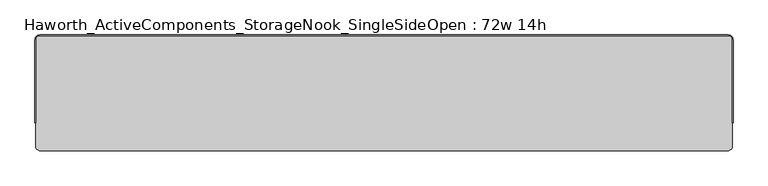
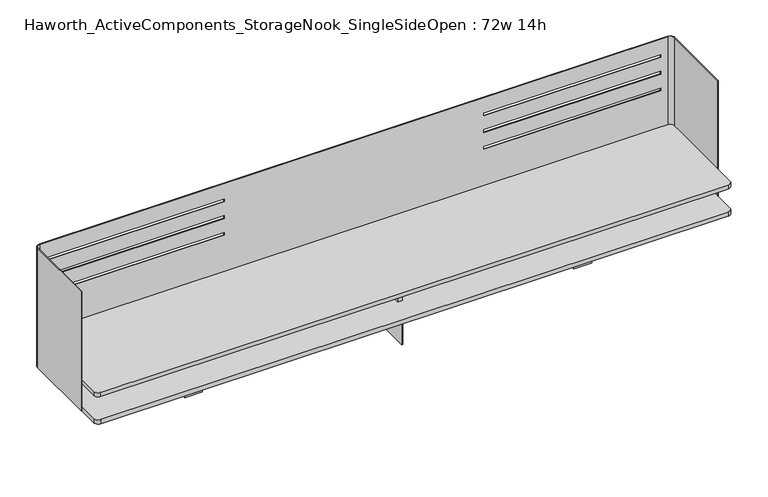
"""IFC4 building model written with IfcOpenShell, lengths in millimetres: furniture geometry, Haworth_ActiveComponents_StorageNook_SingleSideOpen : 72w 14h."""

from ifc_helpers import new_model, si_unit, point, frame, frame_2d, origin, place, context, project, spatial, polyline, circle_curve, trimmed, segment, composite_curve, outline, extrude, source, transform, mapped, element, save
from ifc_brep_helpers import plane_surface, cylinder_surface, revolved_surface, advanced_brep


def haworth_activecomponents_storagenook_singlesideopen_72w_14h_7ef5d3e3(model_context):
    return source(origin(), model_context, "Body", "SolidModel", [
        extrude(outline(polyline([(6.35, 493.7125), (6.35, 265.1125), (-6.35, 265.1125), (-6.35, 493.7125), (6.35, 493.7125)])), frame((0.0, 0.0, 860.4250242), z_axis=(0.0, 0.0, 1.0), x_axis=(1.0, 0.0, 0.0)), (0.0, 0.0, 1.0), 69.85),
        advanced_brep(
        [(-912.8125, 482.6, 1209.675), (-901.7, 493.7125, 1209.675), (901.7, 493.7125, 1209.675), (912.8125, 482.6, 1209.675), (912.8125, 265.1125, 1209.675), (914.4, 265.1125, 1209.675), (914.4, 482.6, 1209.675), (901.7, 495.3, 1209.675), (-901.7, 495.3, 1209.675), (-914.4, 482.6, 1209.675), (-914.4, 265.1125, 1209.675), (-912.8125, 265.1125, 1209.675), (-912.8125, 482.6, 847.725), (-912.8125, 265.1125, 847.725), (-914.4, 265.1125, 847.725), (-914.4, 482.6, 847.725), (-901.7, 495.3, 847.725), (901.7, 495.3, 847.725), (914.4, 482.6, 847.725), (914.4, 265.1125, 847.725), (912.8125, 265.1125, 847.725), (912.8125, 482.6, 847.725), (901.7, 493.7125, 847.725), (-901.7, 493.7125, 847.725), (880.3639961, 493.7125, 1061.1643944), (880.3639961, 493.7125, 1052.909375), (372.3639961, 493.7125, 1052.909375), (372.3639961, 493.7125, 1061.1643944), (880.3639961, 493.7125, 1162.7643702), (880.3639961, 493.7125, 1154.5093508), (372.3639961, 493.7125, 1154.5093508), (372.3639961, 493.7125, 1162.7643702), (880.3639961, 493.7125, 1111.9643823), (880.3639961, 493.7125, 1103.7093629), (372.3639961, 493.7125, 1103.7093629), (372.3639961, 493.7125, 1111.9643823), (-880.3639961, 493.7125, 1052.909375), (-880.3639961, 493.7125, 1061.1643944), (-372.3639961, 493.7125, 1061.1643944), (-372.3639961, 493.7125, 1052.909375), (-880.3639961, 493.7125, 1154.5093508), (-880.3639961, 493.7125, 1162.7643702), (-372.3639961, 493.7125, 1162.7643702), (-372.3639961, 493.7125, 1154.5093508), (-880.3639961, 493.7125, 1103.7093629), (-880.3639961, 493.7125, 1111.9643823), (-372.3639961, 493.7125, 1111.9643823), (-372.3639961, 493.7125, 1103.7093629), (880.3639961, 495.3, 1052.909375), (880.3639961, 495.3, 1061.1643944), (372.3639961, 495.3, 1061.1643944), (372.3639961, 495.3, 1052.909375), (880.3639961, 495.3, 1154.5093508), (880.3639961, 495.3, 1162.7643702), (372.3639961, 495.3, 1162.7643702), (372.3639961, 495.3, 1154.5093508), (880.3639961, 495.3, 1103.7093629), (880.3639961, 495.3, 1111.9643823), (372.3639961, 495.3, 1111.9643823), (372.3639961, 495.3, 1103.7093629), (-880.3639961, 495.3, 1061.1643944), (-880.3639961, 495.3, 1052.909375), (-372.3639961, 495.3, 1052.909375), (-372.3639961, 495.3, 1061.1643944), (-880.3639961, 495.3, 1162.7643702), (-880.3639961, 495.3, 1154.5093508), (-372.3639961, 495.3, 1154.5093508), (-372.3639961, 495.3, 1162.7643702), (-880.3639961, 495.3, 1111.9643823), (-880.3639961, 495.3, 1103.7093629), (-372.3639961, 495.3, 1103.7093629), (-372.3639961, 495.3, 1111.9643823)],
        [
            (0, 1, circle_curve(frame((-901.7, 482.6, 1209.675), z_axis=(0.0, 0.0, -1.0), x_axis=(1.0, 0.0, 0.0)), 11.1125)),
            (1, 2),
            (2, 3, circle_curve(frame((901.7, 482.6, 1209.675), z_axis=(0.0, 0.0, -1.0), x_axis=(1.0, 0.0, 0.0)), 11.1125)),
            (3, 4),
            (4, 5),
            (5, 6),
            (6, 7, circle_curve(frame((901.7, 482.6, 1209.675), z_axis=(0.0, 0.0, 1.0), x_axis=(1.0, 0.0, 0.0)), 12.7)),
            (7, 8),
            (8, 9, circle_curve(frame((-901.7, 482.6, 1209.675), z_axis=(0.0, 0.0, 1.0), x_axis=(1.0, 0.0, 0.0)), 12.7)),
            (9, 10),
            (10, 11),
            (11, 0),
            (12, 13),
            (13, 14),
            (14, 15),
            (15, 16, circle_curve(frame((-901.7, 482.6, 847.725), z_axis=(0.0, 0.0, -1.0), x_axis=(1.0, 0.0, 0.0)), 12.7)),
            (16, 17),
            (17, 18, circle_curve(frame((901.7, 482.6, 847.725), z_axis=(0.0, 0.0, -1.0), x_axis=(1.0, 0.0, 0.0)), 12.7)),
            (18, 19),
            (19, 20),
            (20, 21),
            (21, 22, circle_curve(frame((901.7, 482.6, 847.725), z_axis=(0.0, 0.0, 1.0), x_axis=(1.0, 0.0, 0.0)), 11.1125)),
            (22, 23),
            (23, 12, circle_curve(frame((-901.7, 482.6, 847.725), z_axis=(0.0, 0.0, 1.0), x_axis=(1.0, 0.0, 0.0)), 11.1125)),
            (0, 12),
            (23, 1),
            (22, 2),
            (24, 25),
            (25, 26),
            (26, 27),
            (27, 24),
            (28, 29),
            (29, 30),
            (30, 31),
            (31, 28),
            (32, 33),
            (33, 34),
            (34, 35),
            (35, 32),
            (36, 37),
            (37, 38),
            (38, 39),
            (39, 36),
            (40, 41),
            (41, 42),
            (42, 43),
            (43, 40),
            (44, 45),
            (45, 46),
            (46, 47),
            (47, 44),
            (7, 17),
            (16, 8),
            (48, 49),
            (49, 50),
            (50, 51),
            (51, 48),
            (52, 53),
            (53, 54),
            (54, 55),
            (55, 52),
            (56, 57),
            (57, 58),
            (58, 59),
            (59, 56),
            (60, 61),
            (61, 62),
            (62, 63),
            (63, 60),
            (64, 65),
            (65, 66),
            (66, 67),
            (67, 64),
            (68, 69),
            (69, 70),
            (70, 71),
            (71, 68),
            (15, 9),
            (14, 10),
            (13, 11),
            (21, 3),
            (20, 4),
            (19, 5),
            (18, 6),
            (24, 49),
            (48, 25),
            (51, 26),
            (50, 27),
            (28, 53),
            (52, 29),
            (55, 30),
            (54, 31),
            (32, 57),
            (56, 33),
            (59, 34),
            (58, 35),
            (36, 61),
            (60, 37),
            (39, 62),
            (38, 63),
            (40, 65),
            (64, 41),
            (43, 66),
            (42, 67),
            (44, 69),
            (68, 45),
            (47, 70),
            (46, 71),
        ],
        [
            plane_surface(frame((-890.5875, 482.6, 1209.675), z_axis=(0.0, 0.0, 1.0), x_axis=(0.0, -1.0, 0.0))),
            plane_surface(frame((-890.5875, 482.6, 847.725), z_axis=(0.0, 0.0, -1.0), x_axis=(0.0, 1.0, 0.0))),
            revolved_surface(polyline([(-890.5875000000001, 482.6, 847.725), (-890.5875000000001, 482.6, 1209.675)]), (-901.7, 482.6, 847.725), (0.0, 0.0, -1.0)),
            plane_surface(frame((-901.7, 493.7125, 1209.675), z_axis=(0.0, -1.0, 0.0), x_axis=(0.0, 0.0, -1.0))),
            plane_surface(frame((901.7, 495.3, 1209.675), z_axis=(0.0, 1.0, 0.0), x_axis=(0.0, 0.0, -1.0))),
            cylinder_surface(frame((-901.7, 482.6, 847.725), z_axis=(0.0, 0.0, 1.0), x_axis=(1.0, 0.0, 0.0)), 12.7),
            plane_surface(frame((-914.4, 482.6, 1209.675), z_axis=(-1.0, 0.0, 0.0), x_axis=(0.0, 0.0, -1.0))),
            plane_surface(frame((-914.4, 265.1125, 1209.675), z_axis=(0.0, -1.0, 0.0), x_axis=(0.0, 0.0, -1.0))),
            plane_surface(frame((-912.8125, 265.1125, 1209.675), z_axis=(1.0, 0.0, 0.0), x_axis=(0.0, 0.0, -1.0))),
            revolved_surface(polyline([(912.8125, 482.6, 847.725), (912.8125, 482.6, 1209.675)]), (901.7, 482.6, 847.725), (0.0, 0.0, -1.0)),
            plane_surface(frame((912.8125, 482.6, 1209.675), z_axis=(-1.0, 0.0, 0.0), x_axis=(0.0, 0.0, -1.0))),
            plane_surface(frame((912.8125, 265.1125, 1209.675), z_axis=(0.0, -1.0, 0.0), x_axis=(0.0, 0.0, -1.0))),
            plane_surface(frame((914.4, 265.1125, 1209.675), z_axis=(1.0, 0.0, 0.0), x_axis=(0.0, 0.0, -1.0))),
            cylinder_surface(frame((901.7, 482.6, 847.725), z_axis=(0.0, 0.0, 1.0), x_axis=(1.0, 0.0, 0.0)), 12.7),
            plane_surface(frame((880.3639961, 553.8218239, 1061.1643944), z_axis=(-1.0, 0.0, 0.0), x_axis=(0.0, -1.0, 0.0))),
            plane_surface(frame((880.3639961, 553.8218239, 1052.909375), z_axis=(0.0, 0.0, 1.0), x_axis=(0.0, -1.0, 0.0))),
            plane_surface(frame((372.3639961, 553.8218239, 1052.909375), z_axis=(1.0, 0.0, 0.0), x_axis=(0.0, -1.0, 0.0))),
            plane_surface(frame((372.3639961, 553.8218239, 1061.1643944), z_axis=(0.0, 0.0, -1.0), x_axis=(0.0, -1.0, 0.0))),
            plane_surface(frame((880.3639961, 553.8218239, 1162.7643702), z_axis=(-1.0, 0.0, 0.0), x_axis=(0.0, -1.0, 0.0))),
            plane_surface(frame((880.3639961, 553.8218239, 1154.5093508), z_axis=(0.0, 0.0, 1.0), x_axis=(0.0, -1.0, 0.0))),
            plane_surface(frame((372.3639961, 553.8218239, 1154.5093508), z_axis=(1.0, 0.0, 0.0), x_axis=(0.0, -1.0, 0.0))),
            plane_surface(frame((372.3639961, 553.8218239, 1162.7643702), z_axis=(0.0, 0.0, -1.0), x_axis=(0.0, -1.0, 0.0))),
            plane_surface(frame((880.3639961, 553.8218239, 1111.9643823), z_axis=(-1.0, 0.0, 0.0), x_axis=(0.0, -1.0, 0.0))),
            plane_surface(frame((880.3639961, 553.8218239, 1103.7093629), z_axis=(0.0, 0.0, 1.0), x_axis=(0.0, -1.0, 0.0))),
            plane_surface(frame((372.3639961, 553.8218239, 1103.7093629), z_axis=(1.0, 0.0, 0.0), x_axis=(0.0, -1.0, 0.0))),
            plane_surface(frame((372.3639961, 553.8218239, 1111.9643823), z_axis=(0.0, 0.0, -1.0), x_axis=(0.0, -1.0, 0.0))),
            plane_surface(frame((-880.3639961, 553.8218239, 1052.909375), z_axis=(1.0, 0.0, 0.0), x_axis=(0.0, -1.0, 0.0))),
            plane_surface(frame((-372.3639961, 553.8218239, 1052.909375), z_axis=(0.0, 0.0, 1.0), x_axis=(0.0, -1.0, 0.0))),
            plane_surface(frame((-372.3639961, 553.8218239, 1061.1643944), z_axis=(-1.0, 0.0, 0.0), x_axis=(0.0, -1.0, 0.0))),
            plane_surface(frame((-880.3639961, 553.8218239, 1061.1643944), z_axis=(0.0, 0.0, -1.0), x_axis=(0.0, -1.0, 0.0))),
            plane_surface(frame((-880.3639961, 553.8218239, 1154.5093508), z_axis=(1.0, 0.0, 0.0), x_axis=(0.0, -1.0, 0.0))),
            plane_surface(frame((-372.3639961, 553.8218239, 1154.5093508), z_axis=(0.0, 0.0, 1.0), x_axis=(0.0, -1.0, 0.0))),
            plane_surface(frame((-372.3639961, 553.8218239, 1162.7643702), z_axis=(-1.0, 0.0, 0.0), x_axis=(0.0, -1.0, 0.0))),
            plane_surface(frame((-880.3639961, 553.8218239, 1162.7643702), z_axis=(0.0, 0.0, -1.0), x_axis=(0.0, -1.0, 0.0))),
            plane_surface(frame((-880.3639961, 553.8218239, 1103.7093629), z_axis=(1.0, 0.0, 0.0), x_axis=(0.0, -1.0, 0.0))),
            plane_surface(frame((-372.3639961, 553.8218239, 1103.7093629), z_axis=(0.0, 0.0, 1.0), x_axis=(0.0, -1.0, 0.0))),
            plane_surface(frame((-372.3639961, 553.8218239, 1111.9643823), z_axis=(-1.0, 0.0, 0.0), x_axis=(0.0, -1.0, 0.0))),
            plane_surface(frame((-880.3639961, 553.8218239, 1111.9643823), z_axis=(0.0, 0.0, -1.0), x_axis=(0.0, -1.0, 0.0))),
        ],
        [
            (0, [[1, 2, 3, 4, 5, 6, 7, 8, 9, 10, 11, 12]]),
            (1, [[13, 14, 15, 16, 17, 18, 19, 20, 21, 22, 23, 24]]),
            (2, [[-1, 25, -24, 26]]),
            (3, [[-2, -26, -23, 27], [28, 29, 30, 31], [32, 33, 34, 35], [36, 37, 38, 39], [40, 41, 42, 43], [44, 45, 46, 47], [48, 49, 50, 51]]),
            (4, [[-8, 52, -17, 53], [54, 55, 56, 57], [58, 59, 60, 61], [62, 63, 64, 65], [66, 67, 68, 69], [70, 71, 72, 73], [74, 75, 76, 77]]),
            (5, [[-9, -53, -16, 78]]),
            (6, [[-10, -78, -15, 79]]),
            (7, [[-11, -79, -14, 80]]),
            (8, [[-12, -80, -13, -25]]),
            (9, [[-3, -27, -22, 81]]),
            (10, [[-4, -81, -21, 82]]),
            (11, [[-5, -82, -20, 83]]),
            (12, [[-6, -83, -19, 84]]),
            (13, [[-7, -84, -18, -52]]),
            (14, [[85, -54, 86, -28]]),
            (15, [[-86, -57, 87, -29]]),
            (16, [[-87, -56, 88, -30]]),
            (17, [[-85, -31, -88, -55]]),
            (18, [[89, -58, 90, -32]]),
            (19, [[-90, -61, 91, -33]]),
            (20, [[-91, -60, 92, -34]]),
            (21, [[-89, -35, -92, -59]]),
            (22, [[93, -62, 94, -36]]),
            (23, [[-94, -65, 95, -37]]),
            (24, [[-95, -64, 96, -38]]),
            (25, [[-93, -39, -96, -63]]),
            (26, [[97, -66, 98, -40]]),
            (27, [[-97, -43, 99, -67]]),
            (28, [[-99, -42, 100, -68]]),
            (29, [[-100, -41, -98, -69]]),
            (30, [[101, -70, 102, -44]]),
            (31, [[-101, -47, 103, -71]]),
            (32, [[-103, -46, 104, -72]]),
            (33, [[-104, -45, -102, -73]]),
            (34, [[105, -74, 106, -48]]),
            (35, [[-105, -51, 107, -75]]),
            (36, [[-107, -50, 108, -76]]),
            (37, [[-108, -49, -106, -77]]),
        ],
    ),
        extrude(outline(polyline([(-533.4, 361.95), (-533.4, 323.453125), (-584.2, 323.453125), (-584.2, 361.95), (-533.4, 361.95)])), frame((0.0, 0.0, 736.6), z_axis=(0.0, 0.0, 1.0), x_axis=(1.0, 0.0, 0.0)), (0.0, 0.0, 1.0), 111.125),
        extrude(outline(polyline([(533.4, 361.95), (584.2, 361.95), (584.2, 323.453125), (533.4, 323.453125), (533.4, 361.95)])), frame((0.0, 0.0, 736.6), z_axis=(0.0, 0.0, 1.0), x_axis=(1.0, 0.0, 0.0)), (0.0, 0.0, 1.0), 111.125),
        extrude(outline(polyline([(1.5875, 433.3841935), (1.5875, 252.4158065), (-1.5875, 252.4158065), (-1.5875, 433.3841935), (1.5875, 433.3841935)])), frame((0.0, 0.0, 736.6), z_axis=(0.0, 0.0, 1.0), x_axis=(1.0, 0.0, 0.0)), (0.0, 0.0, 1.0), 111.125),
        extrude(outline(composite_curve([segment(trimmed(circle_curve(frame_2d((900.1125, 481.0125)), 12.7), [point((900.1125, 493.7125))], [point((912.8125, 481.0125))], False, "CARTESIAN"), True, "CONTINUOUS"), segment(polyline([(912.8125, 481.0125), (912.8125, 204.7875)]), True, "CONTINUOUS"), segment(trimmed(circle_curve(frame_2d((900.1125, 204.7875)), 12.7), [point((912.8125, 204.7875))], [point((900.1125, 192.0875))], False, "CARTESIAN"), True, "CONTINUOUS"), segment(polyline([(900.1125, 192.0875), (-900.1125, 192.0875)]), True, "CONTINUOUS"), segment(trimmed(circle_curve(frame_2d((-900.1125, 204.7875)), 12.7), [point((-900.1125, 192.0875))], [point((-912.8125, 204.7875))], False, "CARTESIAN"), True, "CONTINUOUS"), segment(polyline([(-912.8125, 204.7875), (-912.8125, 481.0125)]), True, "CONTINUOUS"), segment(trimmed(circle_curve(frame_2d((-900.1125, 481.0125)), 12.7), [point((-912.8125, 481.0125))], [point((-900.1125, 493.7125))], False, "CARTESIAN"), True, "CONTINUOUS"), segment(polyline([(-900.1125, 493.7125), (900.1125, 493.7125)]), True, "CONTINUOUS")], self_intersect=False)), frame((0.0, 0.0, 930.2750242), z_axis=(0.0, 0.0, 1.0), x_axis=(1.0, 0.0, 0.0)), (0.0, 0.0, 1.0), 12.7000242),
        extrude(outline(composite_curve([segment(trimmed(circle_curve(frame_2d((900.1125, 481.0125)), 12.7), [point((900.1125, 493.7125))], [point((912.8125, 481.0125))], False, "CARTESIAN"), True, "CONTINUOUS"), segment(polyline([(912.8125, 481.0125), (912.8125, 204.7875)]), True, "CONTINUOUS"), segment(trimmed(circle_curve(frame_2d((900.1125, 204.7875)), 12.7), [point((912.8125, 204.7875))], [point((900.1125, 192.0875))], False, "CARTESIAN"), True, "CONTINUOUS"), segment(polyline([(900.1125, 192.0875), (-900.1125, 192.0875)]), True, "CONTINUOUS"), segment(trimmed(circle_curve(frame_2d((-900.1125, 204.7875)), 12.7), [point((-900.1125, 192.0875))], [point((-912.8125, 204.7875))], False, "CARTESIAN"), True, "CONTINUOUS"), segment(polyline([(-912.8125, 204.7875), (-912.8125, 481.0125)]), True, "CONTINUOUS"), segment(trimmed(circle_curve(frame_2d((-900.1125, 481.0125)), 12.7), [point((-912.8125, 481.0125))], [point((-900.1125, 493.7125))], False, "CARTESIAN"), True, "CONTINUOUS"), segment(polyline([(-900.1125, 493.7125), (900.1125, 493.7125)]), True, "CONTINUOUS")], self_intersect=False)), frame((0.0, 0.0, 847.725), z_axis=(0.0, 0.0, 1.0), x_axis=(1.0, 0.0, 0.0)), (0.0, 0.0, 1.0), 12.7000242),
    ])


if __name__ == "__main__":
    model = new_model("IFC4")
    model_context = context("Model", 3, world=origin())
    ifc_project = project(units=[si_unit("LENGTHUNIT", "METRE", prefix="MILLI")], contexts=[model_context])
    site = spatial("IfcSite", under=ifc_project)
    building = spatial("IfcBuilding", under=site)
    placement = place(None, origin())
    haworth_activecomponents_storagenook_singlesideopen_72w_14h_shape = haworth_activecomponents_storagenook_singlesideopen_72w_14h_7ef5d3e3(model_context)
    element("IfcFurniture", 1, ObjectType="Haworth_ActiveComponents_StorageNook_SingleSideOpen : 72w 14h", at=placement, inside=building, context=model_context, shape_type="MappedRepresentation", body=[
        mapped(haworth_activecomponents_storagenook_singlesideopen_72w_14h_shape, transform((0.0, 0.0, 0.0), x_axis=(1.0, 0.0, 0.0), y_axis=(0.0, 1.0, 0.0), z_axis=(0.0, 0.0, 1.0))),
    ])
    save(model, "model.ifc")
